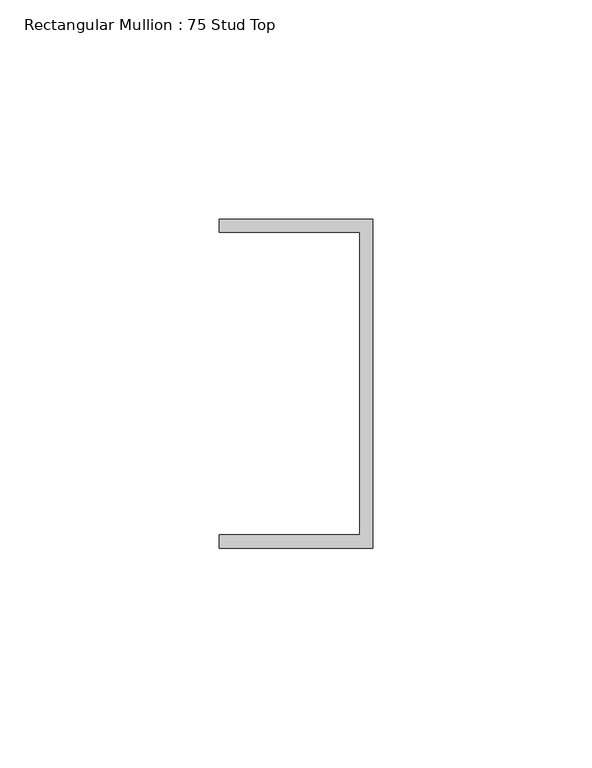
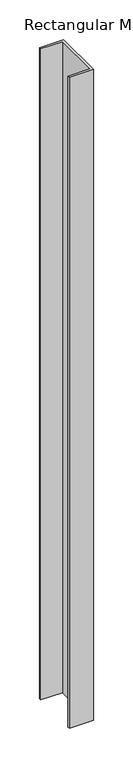
"""IFC4 building model written with IfcOpenShell, lengths in millimetres: member geometry, Rectangular Mullion : 75 Stud Top."""

from ifc_helpers import new_model, si_unit, frame, origin, place, context, project, spatial, polyline, outline, extrude, source, transform, mapped, element, save


def rectangular_mullion_75_stud_top_c1c232c0(model_context):
    return source(origin(), model_context, "Body", "SweptSolid", [
        extrude(outline(polyline([(0.0, 37.5), (0.0, -37.5), (-35.0, -37.5), (-35.0, -34.5), (-3.0, -34.5), (-3.0, 34.5), (-35.0, 34.5), (-35.0, 37.5), (0.0, 37.5)])), frame((0.0, 0.0, -1000.0), z_axis=(0.0, 0.0, 1.0), x_axis=(1.0, 0.0, 0.0)), (0.0, 0.0, 1.0), 1000.0),
    ])


if __name__ == "__main__":
    model = new_model("IFC4")
    model_context = context("Model", 3, world=origin())
    ifc_project = project(units=[si_unit("LENGTHUNIT", "METRE", prefix="MILLI")], contexts=[model_context])
    site = spatial("IfcSite", under=ifc_project)
    building = spatial("IfcBuilding", under=site)
    placement = place(None, origin())
    rectangular_mullion_75_stud_top_shape = rectangular_mullion_75_stud_top_c1c232c0(model_context)
    element("IfcMember", 1, ObjectType="Rectangular Mullion : 75 Stud Top", at=placement, inside=building, context=model_context, shape_type="MappedRepresentation", body=[
        mapped(rectangular_mullion_75_stud_top_shape, transform((0.0, 0.0, 0.0), x_axis=(1.0, 0.0, 0.0), y_axis=(0.0, 1.0, 0.0), z_axis=(0.0, 0.0, 1.0))),
    ])
    save(model, "model.ifc")
